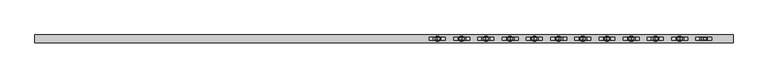
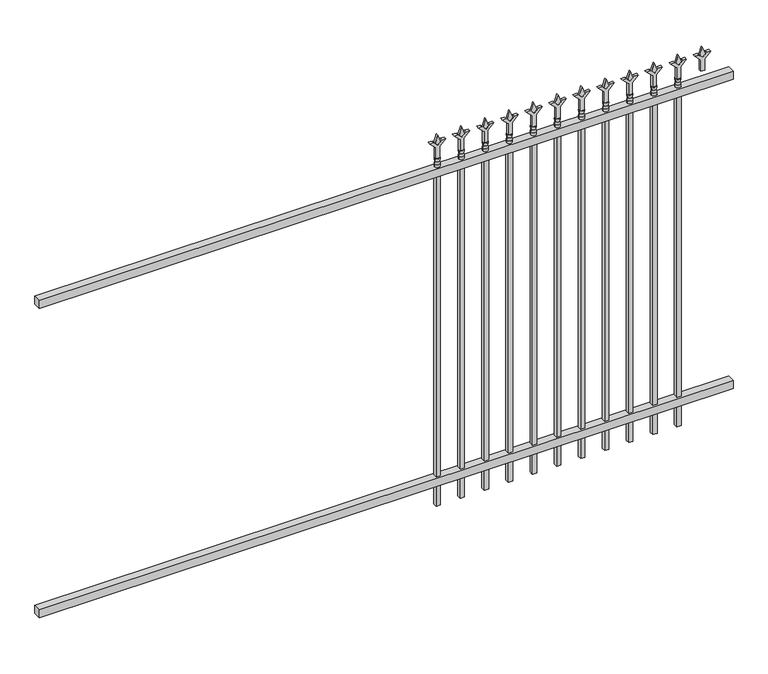
"""IFC4 building model written with IfcOpenShell, lengths in millimetres: railing geometry."""

from ifc_helpers import new_model, si_unit, frame, origin, place, context, project, spatial, polyline, circle_curve, outline, extrude, source, transform, mapped, element, save
from ifc_brep_helpers import plane_surface, cylinder_surface, revolved_surface, advanced_brep


def railing_123883da(model_context):
    return source(origin(), model_context, "Body", "SolidModel", [
        extrude(outline(polyline([(-67441.318087, 3004.8804826), (-67441.318087, 3039.8054826), (-64291.718087, 3039.8054826), (-64291.718087, 3004.8804826), (-67441.318087, 3004.8804826)])), frame((0.0, 0.0, 1638.3), z_axis=(0.0, 0.0, 1.0), x_axis=(1.0, 0.0, 0.0)), (0.0, 0.0, 1.0), 38.1),
        extrude(outline(polyline([(-67441.318087, 3004.8804826), (-67441.318087, 3039.8054826), (-64291.718087, 3039.8054826), (-64291.718087, 3004.8804826), (-67441.318087, 3004.8804826)])), frame((0.0, 0.0, 152.4), z_axis=(0.0, 0.0, 1.0), x_axis=(1.0, 0.0, 0.0)), (0.0, 0.0, 1.0), 38.1),
        extrude(outline(polyline([(1793.08125, -64520.8472536), (1828.8, -64532.7535036), (1793.08125, -64544.6597536), (1781.175, -64532.7535036), (1793.08125, -64520.8472536)])), frame((0.0, 3017.5804826, 0.0), z_axis=(0.0, 1.0, 0.0), x_axis=(0.0, 0.0, 1.0)), (0.0, 0.0, 1.0), 9.525),
        extrude(outline(polyline([(1717.675, -64524.0222536), (1771.9457378, -64524.0222536), (1799.1355122, -64496.8324791), (1799.1355122, -64514.7929914), (1781.175, -64532.7535036), (1799.1355122, -64550.7140159), (1799.1355122, -64568.6745281), (1771.9457378, -64541.4847536), (1717.675, -64541.4847536), (1717.675, -64524.0222536)])), frame((0.0, 3015.9929826, 0.0), z_axis=(0.0, 1.0, 0.0), x_axis=(0.0, 0.0, 1.0)), (0.0, 0.0, 1.0), 12.7),
        advanced_brep(
        [(-64520.8472536, 3022.3429826, 1689.1), (-64544.6597536, 3022.3429826, 1689.1), (-64544.6597536, 3022.3429826, 1676.4), (-64520.8472536, 3022.3429826, 1676.4), (-64523.0525855, 3022.3429826, 1701.6070585), (-64542.4544218, 3022.3429826, 1701.6070585), (-64520.8472536, 3022.3429826, 1717.675), (-64544.6597536, 3022.3429826, 1717.675), (-64532.7535036, 3022.3429826, 1717.675), (-64532.7535036, 3022.3429826, 1676.4)],
        [
            (0, 1, circle_curve(frame((-64532.7535036, 3022.3429826, 1689.1), z_axis=(0.0, 0.0, -1.0), x_axis=(-1.0, 0.0, 0.0)), 11.90625)),
            (1, 2),
            (2, 3, circle_curve(frame((-64532.7535036, 3022.3429826, 1676.4), z_axis=(0.0, 0.0, 1.0), x_axis=(-1.0, 0.0, 0.0)), 11.90625)),
            (3, 0),
            (1, 0, circle_curve(frame((-64532.7535036, 3022.3429826, 1689.1), z_axis=(0.0, 0.0, -1.0), x_axis=(-1.0, 0.0, 0.0)), 11.90625)),
            (3, 2, circle_curve(frame((-64532.7535036, 3022.3429826, 1676.4), z_axis=(0.0, 0.0, 1.0), x_axis=(-1.0, 0.0, 0.0)), 11.90625)),
            (4, 5, circle_curve(frame((-64532.7535036, 3022.3429826, 1701.6070585), z_axis=(0.0, 0.0, -1.0), x_axis=(-1.0, 0.0, 0.0)), 9.7009181)),
            (5, 1),
            (0, 4),
            (5, 4, circle_curve(frame((-64532.7535036, 3022.3429826, 1701.6070585), z_axis=(0.0, 0.0, -1.0), x_axis=(-1.0, 0.0, 0.0)), 9.7009181)),
            (6, 7, circle_curve(frame((-64532.7535036, 3022.3429826, 1717.675), z_axis=(0.0, 0.0, -1.0), x_axis=(-1.0, 0.0, 0.0)), 11.90625)),
            (7, 5),
            (4, 6),
            (7, 6, circle_curve(frame((-64532.7535036, 3022.3429826, 1717.675), z_axis=(0.0, 0.0, -1.0), x_axis=(-1.0, 0.0, 0.0)), 11.90625)),
            (8, 7),
            (6, 8),
            (2, 9),
            (9, 3),
        ],
        [
            cylinder_surface(frame((-64532.7535036, 3022.3429826, 1676.4), z_axis=(0.0, 0.0, 1.0), x_axis=(-1.0, 0.0, 0.0)), 11.90625),
            revolved_surface(polyline([(-64544.6597536, 3022.3429826, 1689.1), (-64542.4544218, 3022.3429826, 1701.6070585)]), (-64532.7535036, 3022.3429826, 1676.4), (0.0, 0.0, 1.0)),
            revolved_surface(polyline([(-64542.4544218, 3022.3429826, 1701.6070585), (-64544.6597536, 3022.3429826, 1717.675)]), (-64532.7535036, 3022.3429826, 1676.4), (0.0, 0.0, 1.0)),
            plane_surface(frame((-64532.7535036, 3022.3429826, 1717.675), z_axis=(0.0, 0.0, 1.0), x_axis=(-1.0, 0.0, 0.0))),
            plane_surface(frame((-64532.7535036, 3022.3429826, 1676.4), z_axis=(0.0, 0.0, -1.0), x_axis=(-1.0, 0.0, 0.0))),
        ],
        [
            (0, [[1, 2, 3, 4]]),
            (0, [[5, -4, 6, -2]]),
            (1, [[7, 8, -1, 9]]),
            (1, [[10, -9, -5, -8]]),
            (2, [[11, 12, -7, 13]]),
            (2, [[14, -13, -10, -12]]),
            (3, [[15, -11, 16]]),
            (3, [[-16, -14, -15]]),
            (4, [[-3, 17, 18]]),
            (4, [[-6, -18, -17]]),
        ],
    ),
        extrude(outline(polyline([(-64542.2785036, 3031.8679826), (-64523.2285036, 3031.8679826), (-64523.2285036, 3012.8179826), (-64542.2785036, 3012.8179826), (-64542.2785036, 3031.8679826)])), frame((0.0, 0.0, 50.8), z_axis=(0.0, 0.0, 1.0), x_axis=(1.0, 0.0, 0.0)), (0.0, 0.0, 1.0), 1625.6),
        extrude(outline(polyline([(1793.08125, -64630.1201703), (1828.8, -64642.0264203), (1793.08125, -64653.9326703), (1781.175, -64642.0264203), (1793.08125, -64630.1201703)])), frame((0.0, 3017.5804826, 0.0), z_axis=(0.0, 1.0, 0.0), x_axis=(0.0, 0.0, 1.0)), (0.0, 0.0, 1.0), 9.525),
        extrude(outline(polyline([(1717.675, -64633.2951703), (1771.9457378, -64633.2951703), (1799.1355122, -64606.1053958), (1799.1355122, -64624.0659081), (1781.175, -64642.0264203), (1799.1355122, -64659.9869325), (1799.1355122, -64677.9474448), (1771.9457378, -64650.7576703), (1717.675, -64650.7576703), (1717.675, -64633.2951703)])), frame((0.0, 3015.9929826, 0.0), z_axis=(0.0, 1.0, 0.0), x_axis=(0.0, 0.0, 1.0)), (0.0, 0.0, 1.0), 12.7),
        advanced_brep(
        [(-64630.1201703, 3022.3429826, 1689.1), (-64653.9326703, 3022.3429826, 1689.1), (-64653.9326703, 3022.3429826, 1676.4), (-64630.1201703, 3022.3429826, 1676.4), (-64632.3255022, 3022.3429826, 1701.6070585), (-64651.7273384, 3022.3429826, 1701.6070585), (-64630.1201703, 3022.3429826, 1717.675), (-64653.9326703, 3022.3429826, 1717.675), (-64642.0264203, 3022.3429826, 1717.675), (-64642.0264203, 3022.3429826, 1676.4)],
        [
            (0, 1, circle_curve(frame((-64642.0264203, 3022.3429826, 1689.1), z_axis=(0.0, 0.0, -1.0), x_axis=(-1.0, 0.0, 0.0)), 11.90625)),
            (1, 2),
            (2, 3, circle_curve(frame((-64642.0264203, 3022.3429826, 1676.4), z_axis=(0.0, 0.0, 1.0), x_axis=(-1.0, 0.0, 0.0)), 11.90625)),
            (3, 0),
            (1, 0, circle_curve(frame((-64642.0264203, 3022.3429826, 1689.1), z_axis=(0.0, 0.0, -1.0), x_axis=(-1.0, 0.0, 0.0)), 11.90625)),
            (3, 2, circle_curve(frame((-64642.0264203, 3022.3429826, 1676.4), z_axis=(0.0, 0.0, 1.0), x_axis=(-1.0, 0.0, 0.0)), 11.90625)),
            (4, 5, circle_curve(frame((-64642.0264203, 3022.3429826, 1701.6070585), z_axis=(0.0, 0.0, -1.0), x_axis=(-1.0, 0.0, 0.0)), 9.7009181)),
            (5, 1),
            (0, 4),
            (5, 4, circle_curve(frame((-64642.0264203, 3022.3429826, 1701.6070585), z_axis=(0.0, 0.0, -1.0), x_axis=(-1.0, 0.0, 0.0)), 9.7009181)),
            (6, 7, circle_curve(frame((-64642.0264203, 3022.3429826, 1717.675), z_axis=(0.0, 0.0, -1.0), x_axis=(-1.0, 0.0, 0.0)), 11.90625)),
            (7, 5),
            (4, 6),
            (7, 6, circle_curve(frame((-64642.0264203, 3022.3429826, 1717.675), z_axis=(0.0, 0.0, -1.0), x_axis=(-1.0, 0.0, 0.0)), 11.90625)),
            (8, 7),
            (6, 8),
            (2, 9),
            (9, 3),
        ],
        [
            cylinder_surface(frame((-64642.0264203, 3022.3429826, 1676.4), z_axis=(0.0, 0.0, 1.0), x_axis=(-1.0, 0.0, 0.0)), 11.90625),
            revolved_surface(polyline([(-64653.9326703, 3022.3429826, 1689.1), (-64651.7273384, 3022.3429826, 1701.6070585)]), (-64642.0264203, 3022.3429826, 1676.4), (0.0, 0.0, 1.0)),
            revolved_surface(polyline([(-64651.7273384, 3022.3429826, 1701.6070585), (-64653.9326703, 3022.3429826, 1717.675)]), (-64642.0264203, 3022.3429826, 1676.4), (0.0, 0.0, 1.0)),
            plane_surface(frame((-64642.0264203, 3022.3429826, 1717.675), z_axis=(0.0, 0.0, 1.0), x_axis=(-1.0, 0.0, 0.0))),
            plane_surface(frame((-64642.0264203, 3022.3429826, 1676.4), z_axis=(0.0, 0.0, -1.0), x_axis=(-1.0, 0.0, 0.0))),
        ],
        [
            (0, [[1, 2, 3, 4]]),
            (0, [[5, -4, 6, -2]]),
            (1, [[7, 8, -1, 9]]),
            (1, [[10, -9, -5, -8]]),
            (2, [[11, 12, -7, 13]]),
            (2, [[14, -13, -10, -12]]),
            (3, [[15, -11, 16]]),
            (3, [[-16, -14, -15]]),
            (4, [[-3, 17, 18]]),
            (4, [[-6, -18, -17]]),
        ],
    ),
        extrude(outline(polyline([(-64651.5514203, 3031.8679826), (-64632.5014203, 3031.8679826), (-64632.5014203, 3012.8179826), (-64651.5514203, 3012.8179826), (-64651.5514203, 3031.8679826)])), frame((0.0, 0.0, 50.8), z_axis=(0.0, 0.0, 1.0), x_axis=(1.0, 0.0, 0.0)), (0.0, 0.0, 1.0), 1625.6),
        extrude(outline(polyline([(1793.08125, -64739.393087), (1828.8, -64751.299337), (1793.08125, -64763.205587), (1781.175, -64751.299337), (1793.08125, -64739.393087)])), frame((0.0, 3017.5804826, 0.0), z_axis=(0.0, 1.0, 0.0), x_axis=(0.0, 0.0, 1.0)), (0.0, 0.0, 1.0), 9.525),
        extrude(outline(polyline([(1717.675, -64742.568087), (1771.9457378, -64742.568087), (1799.1355122, -64715.3783125), (1799.1355122, -64733.3388247), (1781.175, -64751.299337), (1799.1355122, -64769.2598492), (1799.1355122, -64787.2203614), (1771.9457378, -64760.030587), (1717.675, -64760.030587), (1717.675, -64742.568087)])), frame((0.0, 3015.9929826, 0.0), z_axis=(0.0, 1.0, 0.0), x_axis=(0.0, 0.0, 1.0)), (0.0, 0.0, 1.0), 12.7),
        advanced_brep(
        [(-64739.393087, 3022.3429826, 1689.1), (-64763.205587, 3022.3429826, 1689.1), (-64763.205587, 3022.3429826, 1676.4), (-64739.393087, 3022.3429826, 1676.4), (-64741.5984188, 3022.3429826, 1701.6070585), (-64761.0002551, 3022.3429826, 1701.6070585), (-64739.393087, 3022.3429826, 1717.675), (-64763.205587, 3022.3429826, 1717.675), (-64751.299337, 3022.3429826, 1717.675), (-64751.299337, 3022.3429826, 1676.4)],
        [
            (0, 1, circle_curve(frame((-64751.299337, 3022.3429826, 1689.1), z_axis=(0.0, 0.0, -1.0), x_axis=(-1.0, 0.0, 0.0)), 11.90625)),
            (1, 2),
            (2, 3, circle_curve(frame((-64751.299337, 3022.3429826, 1676.4), z_axis=(0.0, 0.0, 1.0), x_axis=(-1.0, 0.0, 0.0)), 11.90625)),
            (3, 0),
            (1, 0, circle_curve(frame((-64751.299337, 3022.3429826, 1689.1), z_axis=(0.0, 0.0, -1.0), x_axis=(-1.0, 0.0, 0.0)), 11.90625)),
            (3, 2, circle_curve(frame((-64751.299337, 3022.3429826, 1676.4), z_axis=(0.0, 0.0, 1.0), x_axis=(-1.0, 0.0, 0.0)), 11.90625)),
            (4, 5, circle_curve(frame((-64751.299337, 3022.3429826, 1701.6070585), z_axis=(0.0, 0.0, -1.0), x_axis=(-1.0, 0.0, 0.0)), 9.7009181)),
            (5, 1),
            (0, 4),
            (5, 4, circle_curve(frame((-64751.299337, 3022.3429826, 1701.6070585), z_axis=(0.0, 0.0, -1.0), x_axis=(-1.0, 0.0, 0.0)), 9.7009181)),
            (6, 7, circle_curve(frame((-64751.299337, 3022.3429826, 1717.675), z_axis=(0.0, 0.0, -1.0), x_axis=(-1.0, 0.0, 0.0)), 11.90625)),
            (7, 5),
            (4, 6),
            (7, 6, circle_curve(frame((-64751.299337, 3022.3429826, 1717.675), z_axis=(0.0, 0.0, -1.0), x_axis=(-1.0, 0.0, 0.0)), 11.90625)),
            (8, 7),
            (6, 8),
            (2, 9),
            (9, 3),
        ],
        [
            cylinder_surface(frame((-64751.299337, 3022.3429826, 1676.4), z_axis=(0.0, 0.0, 1.0), x_axis=(-1.0, 0.0, 0.0)), 11.90625),
            revolved_surface(polyline([(-64763.205587, 3022.3429826, 1689.1), (-64761.0002551, 3022.3429826, 1701.6070585)]), (-64751.299337, 3022.3429826, 1676.4), (0.0, 0.0, 1.0)),
            revolved_surface(polyline([(-64761.0002551, 3022.3429826, 1701.6070585), (-64763.205587, 3022.3429826, 1717.675)]), (-64751.299337, 3022.3429826, 1676.4), (0.0, 0.0, 1.0)),
            plane_surface(frame((-64751.299337, 3022.3429826, 1717.675), z_axis=(0.0, 0.0, 1.0), x_axis=(-1.0, 0.0, 0.0))),
            plane_surface(frame((-64751.299337, 3022.3429826, 1676.4), z_axis=(0.0, 0.0, -1.0), x_axis=(-1.0, 0.0, 0.0))),
        ],
        [
            (0, [[1, 2, 3, 4]]),
            (0, [[5, -4, 6, -2]]),
            (1, [[7, 8, -1, 9]]),
            (1, [[10, -9, -5, -8]]),
            (2, [[11, 12, -7, 13]]),
            (2, [[14, -13, -10, -12]]),
            (3, [[15, -11, 16]]),
            (3, [[-16, -14, -15]]),
            (4, [[-3, 17, 18]]),
            (4, [[-6, -18, -17]]),
        ],
    ),
        extrude(outline(polyline([(-64760.824337, 3031.8679826), (-64741.774337, 3031.8679826), (-64741.774337, 3012.8179826), (-64760.824337, 3012.8179826), (-64760.824337, 3031.8679826)])), frame((0.0, 0.0, 50.8), z_axis=(0.0, 0.0, 1.0), x_axis=(1.0, 0.0, 0.0)), (0.0, 0.0, 1.0), 1625.6),
        extrude(outline(polyline([(1793.08125, -64848.6660036), (1828.8, -64860.5722536), (1793.08125, -64872.4785036), (1781.175, -64860.5722536), (1793.08125, -64848.6660036)])), frame((0.0, 3017.5804826, 0.0), z_axis=(0.0, 1.0, 0.0), x_axis=(0.0, 0.0, 1.0)), (0.0, 0.0, 1.0), 9.525),
        extrude(outline(polyline([(1717.675, -64851.8410036), (1771.9457378, -64851.8410036), (1799.1355122, -64824.6512291), (1799.1355122, -64842.6117414), (1781.175, -64860.5722536), (1799.1355122, -64878.5327659), (1799.1355122, -64896.4932781), (1771.9457378, -64869.3035036), (1717.675, -64869.3035036), (1717.675, -64851.8410036)])), frame((0.0, 3015.9929826, 0.0), z_axis=(0.0, 1.0, 0.0), x_axis=(0.0, 0.0, 1.0)), (0.0, 0.0, 1.0), 12.7),
        advanced_brep(
        [(-64848.6660036, 3022.3429826, 1689.1), (-64872.4785036, 3022.3429826, 1689.1), (-64872.4785036, 3022.3429826, 1676.4), (-64848.6660036, 3022.3429826, 1676.4), (-64850.8713355, 3022.3429826, 1701.6070585), (-64870.2731718, 3022.3429826, 1701.6070585), (-64848.6660036, 3022.3429826, 1717.675), (-64872.4785036, 3022.3429826, 1717.675), (-64860.5722536, 3022.3429826, 1717.675), (-64860.5722536, 3022.3429826, 1676.4)],
        [
            (0, 1, circle_curve(frame((-64860.5722536, 3022.3429826, 1689.1), z_axis=(0.0, 0.0, -1.0), x_axis=(-1.0, 0.0, 0.0)), 11.90625)),
            (1, 2),
            (2, 3, circle_curve(frame((-64860.5722536, 3022.3429826, 1676.4), z_axis=(0.0, 0.0, 1.0), x_axis=(-1.0, 0.0, 0.0)), 11.90625)),
            (3, 0),
            (1, 0, circle_curve(frame((-64860.5722536, 3022.3429826, 1689.1), z_axis=(0.0, 0.0, -1.0), x_axis=(-1.0, 0.0, 0.0)), 11.90625)),
            (3, 2, circle_curve(frame((-64860.5722536, 3022.3429826, 1676.4), z_axis=(0.0, 0.0, 1.0), x_axis=(-1.0, 0.0, 0.0)), 11.90625)),
            (4, 5, circle_curve(frame((-64860.5722536, 3022.3429826, 1701.6070585), z_axis=(0.0, 0.0, -1.0), x_axis=(-1.0, 0.0, 0.0)), 9.7009181)),
            (5, 1),
            (0, 4),
            (5, 4, circle_curve(frame((-64860.5722536, 3022.3429826, 1701.6070585), z_axis=(0.0, 0.0, -1.0), x_axis=(-1.0, 0.0, 0.0)), 9.7009181)),
            (6, 7, circle_curve(frame((-64860.5722536, 3022.3429826, 1717.675), z_axis=(0.0, 0.0, -1.0), x_axis=(-1.0, 0.0, 0.0)), 11.90625)),
            (7, 5),
            (4, 6),
            (7, 6, circle_curve(frame((-64860.5722536, 3022.3429826, 1717.675), z_axis=(0.0, 0.0, -1.0), x_axis=(-1.0, 0.0, 0.0)), 11.90625)),
            (8, 7),
            (6, 8),
            (2, 9),
            (9, 3),
        ],
        [
            cylinder_surface(frame((-64860.5722536, 3022.3429826, 1676.4), z_axis=(0.0, 0.0, 1.0), x_axis=(-1.0, 0.0, 0.0)), 11.90625),
            revolved_surface(polyline([(-64872.4785036, 3022.3429826, 1689.1), (-64870.2731718, 3022.3429826, 1701.6070585)]), (-64860.5722536, 3022.3429826, 1676.4), (0.0, 0.0, 1.0)),
            revolved_surface(polyline([(-64870.2731718, 3022.3429826, 1701.6070585), (-64872.4785036, 3022.3429826, 1717.675)]), (-64860.5722536, 3022.3429826, 1676.4), (0.0, 0.0, 1.0)),
            plane_surface(frame((-64860.5722536, 3022.3429826, 1717.675), z_axis=(0.0, 0.0, 1.0), x_axis=(-1.0, 0.0, 0.0))),
            plane_surface(frame((-64860.5722536, 3022.3429826, 1676.4), z_axis=(0.0, 0.0, -1.0), x_axis=(-1.0, 0.0, 0.0))),
        ],
        [
            (0, [[1, 2, 3, 4]]),
            (0, [[5, -4, 6, -2]]),
            (1, [[7, 8, -1, 9]]),
            (1, [[10, -9, -5, -8]]),
            (2, [[11, 12, -7, 13]]),
            (2, [[14, -13, -10, -12]]),
            (3, [[15, -11, 16]]),
            (3, [[-16, -14, -15]]),
            (4, [[-3, 17, 18]]),
            (4, [[-6, -18, -17]]),
        ],
    ),
        extrude(outline(polyline([(-64870.0972536, 3031.8679826), (-64851.0472536, 3031.8679826), (-64851.0472536, 3012.8179826), (-64870.0972536, 3012.8179826), (-64870.0972536, 3031.8679826)])), frame((0.0, 0.0, 50.8), z_axis=(0.0, 0.0, 1.0), x_axis=(1.0, 0.0, 0.0)), (0.0, 0.0, 1.0), 1625.6),
        extrude(outline(polyline([(1793.08125, -64957.9389203), (1828.8, -64969.8451703), (1793.08125, -64981.7514203), (1781.175, -64969.8451703), (1793.08125, -64957.9389203)])), frame((0.0, 3017.5804826, 0.0), z_axis=(0.0, 1.0, 0.0), x_axis=(0.0, 0.0, 1.0)), (0.0, 0.0, 1.0), 9.525),
        extrude(outline(polyline([(1717.675, -64961.1139203), (1771.9457378, -64961.1139203), (1799.1355122, -64933.9241458), (1799.1355122, -64951.8846581), (1781.175, -64969.8451703), (1799.1355122, -64987.8056825), (1799.1355122, -65005.7661948), (1771.9457378, -64978.5764203), (1717.675, -64978.5764203), (1717.675, -64961.1139203)])), frame((0.0, 3015.9929826, 0.0), z_axis=(0.0, 1.0, 0.0), x_axis=(0.0, 0.0, 1.0)), (0.0, 0.0, 1.0), 12.7),
        advanced_brep(
        [(-64957.9389203, 3022.3429826, 1689.1), (-64981.7514203, 3022.3429826, 1689.1), (-64981.7514203, 3022.3429826, 1676.4), (-64957.9389203, 3022.3429826, 1676.4), (-64960.1442522, 3022.3429826, 1701.6070585), (-64979.5460884, 3022.3429826, 1701.6070585), (-64957.9389203, 3022.3429826, 1717.675), (-64981.7514203, 3022.3429826, 1717.675), (-64969.8451703, 3022.3429826, 1717.675), (-64969.8451703, 3022.3429826, 1676.4)],
        [
            (0, 1, circle_curve(frame((-64969.8451703, 3022.3429826, 1689.1), z_axis=(0.0, 0.0, -1.0), x_axis=(-1.0, 0.0, 0.0)), 11.90625)),
            (1, 2),
            (2, 3, circle_curve(frame((-64969.8451703, 3022.3429826, 1676.4), z_axis=(0.0, 0.0, 1.0), x_axis=(-1.0, 0.0, 0.0)), 11.90625)),
            (3, 0),
            (1, 0, circle_curve(frame((-64969.8451703, 3022.3429826, 1689.1), z_axis=(0.0, 0.0, -1.0), x_axis=(-1.0, 0.0, 0.0)), 11.90625)),
            (3, 2, circle_curve(frame((-64969.8451703, 3022.3429826, 1676.4), z_axis=(0.0, 0.0, 1.0), x_axis=(-1.0, 0.0, 0.0)), 11.90625)),
            (4, 5, circle_curve(frame((-64969.8451703, 3022.3429826, 1701.6070585), z_axis=(0.0, 0.0, -1.0), x_axis=(-1.0, 0.0, 0.0)), 9.7009181)),
            (5, 1),
            (0, 4),
            (5, 4, circle_curve(frame((-64969.8451703, 3022.3429826, 1701.6070585), z_axis=(0.0, 0.0, -1.0), x_axis=(-1.0, 0.0, 0.0)), 9.7009181)),
            (6, 7, circle_curve(frame((-64969.8451703, 3022.3429826, 1717.675), z_axis=(0.0, 0.0, -1.0), x_axis=(-1.0, 0.0, 0.0)), 11.90625)),
            (7, 5),
            (4, 6),
            (7, 6, circle_curve(frame((-64969.8451703, 3022.3429826, 1717.675), z_axis=(0.0, 0.0, -1.0), x_axis=(-1.0, 0.0, 0.0)), 11.90625)),
            (8, 7),
            (6, 8),
            (2, 9),
            (9, 3),
        ],
        [
            cylinder_surface(frame((-64969.8451703, 3022.3429826, 1676.4), z_axis=(0.0, 0.0, 1.0), x_axis=(-1.0, 0.0, 0.0)), 11.90625),
            revolved_surface(polyline([(-64981.7514203, 3022.3429826, 1689.1), (-64979.5460884, 3022.3429826, 1701.6070585)]), (-64969.8451703, 3022.3429826, 1676.4), (0.0, 0.0, 1.0)),
            revolved_surface(polyline([(-64979.5460884, 3022.3429826, 1701.6070585), (-64981.7514203, 3022.3429826, 1717.675)]), (-64969.8451703, 3022.3429826, 1676.4), (0.0, 0.0, 1.0)),
            plane_surface(frame((-64969.8451703, 3022.3429826, 1717.675), z_axis=(0.0, 0.0, 1.0), x_axis=(-1.0, 0.0, 0.0))),
            plane_surface(frame((-64969.8451703, 3022.3429826, 1676.4), z_axis=(0.0, 0.0, -1.0), x_axis=(-1.0, 0.0, 0.0))),
        ],
        [
            (0, [[1, 2, 3, 4]]),
            (0, [[5, -4, 6, -2]]),
            (1, [[7, 8, -1, 9]]),
            (1, [[10, -9, -5, -8]]),
            (2, [[11, 12, -7, 13]]),
            (2, [[14, -13, -10, -12]]),
            (3, [[15, -11, 16]]),
            (3, [[-16, -14, -15]]),
            (4, [[-3, 17, 18]]),
            (4, [[-6, -18, -17]]),
        ],
    ),
        extrude(outline(polyline([(-64979.3701703, 3031.8679826), (-64960.3201703, 3031.8679826), (-64960.3201703, 3012.8179826), (-64979.3701703, 3012.8179826), (-64979.3701703, 3031.8679826)])), frame((0.0, 0.0, 50.8), z_axis=(0.0, 0.0, 1.0), x_axis=(1.0, 0.0, 0.0)), (0.0, 0.0, 1.0), 1625.6),
        extrude(outline(polyline([(1793.08125, -65067.211837), (1828.8, -65079.118087), (1793.08125, -65091.024337), (1781.175, -65079.118087), (1793.08125, -65067.211837)])), frame((0.0, 3017.5804826, 0.0), z_axis=(0.0, 1.0, 0.0), x_axis=(0.0, 0.0, 1.0)), (0.0, 0.0, 1.0), 9.525),
        extrude(outline(polyline([(1717.675, -65070.386837), (1771.9457378, -65070.386837), (1799.1355122, -65043.1970625), (1799.1355122, -65061.1575747), (1781.175, -65079.118087), (1799.1355122, -65097.0785992), (1799.1355122, -65115.0391114), (1771.9457378, -65087.849337), (1717.675, -65087.849337), (1717.675, -65070.386837)])), frame((0.0, 3015.9929826, 0.0), z_axis=(0.0, 1.0, 0.0), x_axis=(0.0, 0.0, 1.0)), (0.0, 0.0, 1.0), 12.7),
        advanced_brep(
        [(-65067.211837, 3022.3429826, 1689.1), (-65091.024337, 3022.3429826, 1689.1), (-65091.024337, 3022.3429826, 1676.4), (-65067.211837, 3022.3429826, 1676.4), (-65069.4171688, 3022.3429826, 1701.6070585), (-65088.8190051, 3022.3429826, 1701.6070585), (-65067.211837, 3022.3429826, 1717.675), (-65091.024337, 3022.3429826, 1717.675), (-65079.118087, 3022.3429826, 1717.675), (-65079.118087, 3022.3429826, 1676.4)],
        [
            (0, 1, circle_curve(frame((-65079.118087, 3022.3429826, 1689.1), z_axis=(0.0, 0.0, -1.0), x_axis=(-1.0, 0.0, 0.0)), 11.90625)),
            (1, 2),
            (2, 3, circle_curve(frame((-65079.118087, 3022.3429826, 1676.4), z_axis=(0.0, 0.0, 1.0), x_axis=(-1.0, 0.0, 0.0)), 11.90625)),
            (3, 0),
            (1, 0, circle_curve(frame((-65079.118087, 3022.3429826, 1689.1), z_axis=(0.0, 0.0, -1.0), x_axis=(-1.0, 0.0, 0.0)), 11.90625)),
            (3, 2, circle_curve(frame((-65079.118087, 3022.3429826, 1676.4), z_axis=(0.0, 0.0, 1.0), x_axis=(-1.0, 0.0, 0.0)), 11.90625)),
            (4, 5, circle_curve(frame((-65079.118087, 3022.3429826, 1701.6070585), z_axis=(0.0, 0.0, -1.0), x_axis=(-1.0, 0.0, 0.0)), 9.7009181)),
            (5, 1),
            (0, 4),
            (5, 4, circle_curve(frame((-65079.118087, 3022.3429826, 1701.6070585), z_axis=(0.0, 0.0, -1.0), x_axis=(-1.0, 0.0, 0.0)), 9.7009181)),
            (6, 7, circle_curve(frame((-65079.118087, 3022.3429826, 1717.675), z_axis=(0.0, 0.0, -1.0), x_axis=(-1.0, 0.0, 0.0)), 11.90625)),
            (7, 5),
            (4, 6),
            (7, 6, circle_curve(frame((-65079.118087, 3022.3429826, 1717.675), z_axis=(0.0, 0.0, -1.0), x_axis=(-1.0, 0.0, 0.0)), 11.90625)),
            (8, 7),
            (6, 8),
            (2, 9),
            (9, 3),
        ],
        [
            cylinder_surface(frame((-65079.118087, 3022.3429826, 1676.4), z_axis=(0.0, 0.0, 1.0), x_axis=(-1.0, 0.0, 0.0)), 11.90625),
            revolved_surface(polyline([(-65091.024337, 3022.3429826, 1689.1), (-65088.8190051, 3022.3429826, 1701.6070585)]), (-65079.118087, 3022.3429826, 1676.4), (0.0, 0.0, 1.0)),
            revolved_surface(polyline([(-65088.8190051, 3022.3429826, 1701.6070585), (-65091.024337, 3022.3429826, 1717.675)]), (-65079.118087, 3022.3429826, 1676.4), (0.0, 0.0, 1.0)),
            plane_surface(frame((-65079.118087, 3022.3429826, 1717.675), z_axis=(0.0, 0.0, 1.0), x_axis=(-1.0, 0.0, 0.0))),
            plane_surface(frame((-65079.118087, 3022.3429826, 1676.4), z_axis=(0.0, 0.0, -1.0), x_axis=(-1.0, 0.0, 0.0))),
        ],
        [
            (0, [[1, 2, 3, 4]]),
            (0, [[5, -4, 6, -2]]),
            (1, [[7, 8, -1, 9]]),
            (1, [[10, -9, -5, -8]]),
            (2, [[11, 12, -7, 13]]),
            (2, [[14, -13, -10, -12]]),
            (3, [[15, -11, 16]]),
            (3, [[-16, -14, -15]]),
            (4, [[-3, 17, 18]]),
            (4, [[-6, -18, -17]]),
        ],
    ),
        extrude(outline(polyline([(-65088.643087, 3031.8679826), (-65069.593087, 3031.8679826), (-65069.593087, 3012.8179826), (-65088.643087, 3012.8179826), (-65088.643087, 3031.8679826)])), frame((0.0, 0.0, 50.8), z_axis=(0.0, 0.0, 1.0), x_axis=(1.0, 0.0, 0.0)), (0.0, 0.0, 1.0), 1625.6),
        extrude(outline(polyline([(1793.08125, -65176.4847536), (1828.8, -65188.3910036), (1793.08125, -65200.2972536), (1781.175, -65188.3910036), (1793.08125, -65176.4847536)])), frame((0.0, 3017.5804826, 0.0), z_axis=(0.0, 1.0, 0.0), x_axis=(0.0, 0.0, 1.0)), (0.0, 0.0, 1.0), 9.525),
        extrude(outline(polyline([(1717.675, -65179.6597536), (1771.9457378, -65179.6597536), (1799.1355122, -65152.4699791), (1799.1355122, -65170.4304914), (1781.175, -65188.3910036), (1799.1355122, -65206.3515159), (1799.1355122, -65224.3120281), (1771.9457378, -65197.1222536), (1717.675, -65197.1222536), (1717.675, -65179.6597536)])), frame((0.0, 3015.9929826, 0.0), z_axis=(0.0, 1.0, 0.0), x_axis=(0.0, 0.0, 1.0)), (0.0, 0.0, 1.0), 12.7),
        advanced_brep(
        [(-65176.4847536, 3022.3429826, 1689.1), (-65200.2972536, 3022.3429826, 1689.1), (-65200.2972536, 3022.3429826, 1676.4), (-65176.4847536, 3022.3429826, 1676.4), (-65178.6900855, 3022.3429826, 1701.6070585), (-65198.0919218, 3022.3429826, 1701.6070585), (-65176.4847536, 3022.3429826, 1717.675), (-65200.2972536, 3022.3429826, 1717.675), (-65188.3910036, 3022.3429826, 1717.675), (-65188.3910036, 3022.3429826, 1676.4)],
        [
            (0, 1, circle_curve(frame((-65188.3910036, 3022.3429826, 1689.1), z_axis=(0.0, 0.0, -1.0), x_axis=(-1.0, 0.0, 0.0)), 11.90625)),
            (1, 2),
            (2, 3, circle_curve(frame((-65188.3910036, 3022.3429826, 1676.4), z_axis=(0.0, 0.0, 1.0), x_axis=(-1.0, 0.0, 0.0)), 11.90625)),
            (3, 0),
            (1, 0, circle_curve(frame((-65188.3910036, 3022.3429826, 1689.1), z_axis=(0.0, 0.0, -1.0), x_axis=(-1.0, 0.0, 0.0)), 11.90625)),
            (3, 2, circle_curve(frame((-65188.3910036, 3022.3429826, 1676.4), z_axis=(0.0, 0.0, 1.0), x_axis=(-1.0, 0.0, 0.0)), 11.90625)),
            (4, 5, circle_curve(frame((-65188.3910036, 3022.3429826, 1701.6070585), z_axis=(0.0, 0.0, -1.0), x_axis=(-1.0, 0.0, 0.0)), 9.7009181)),
            (5, 1),
            (0, 4),
            (5, 4, circle_curve(frame((-65188.3910036, 3022.3429826, 1701.6070585), z_axis=(0.0, 0.0, -1.0), x_axis=(-1.0, 0.0, 0.0)), 9.7009181)),
            (6, 7, circle_curve(frame((-65188.3910036, 3022.3429826, 1717.675), z_axis=(0.0, 0.0, -1.0), x_axis=(-1.0, 0.0, 0.0)), 11.90625)),
            (7, 5),
            (4, 6),
            (7, 6, circle_curve(frame((-65188.3910036, 3022.3429826, 1717.675), z_axis=(0.0, 0.0, -1.0), x_axis=(-1.0, 0.0, 0.0)), 11.90625)),
            (8, 7),
            (6, 8),
            (2, 9),
            (9, 3),
        ],
        [
            cylinder_surface(frame((-65188.3910036, 3022.3429826, 1676.4), z_axis=(0.0, 0.0, 1.0), x_axis=(-1.0, 0.0, 0.0)), 11.90625),
            revolved_surface(polyline([(-65200.2972536, 3022.3429826, 1689.1), (-65198.0919218, 3022.3429826, 1701.6070585)]), (-65188.3910036, 3022.3429826, 1676.4), (0.0, 0.0, 1.0)),
            revolved_surface(polyline([(-65198.0919218, 3022.3429826, 1701.6070585), (-65200.2972536, 3022.3429826, 1717.675)]), (-65188.3910036, 3022.3429826, 1676.4), (0.0, 0.0, 1.0)),
            plane_surface(frame((-65188.3910036, 3022.3429826, 1717.675), z_axis=(0.0, 0.0, 1.0), x_axis=(-1.0, 0.0, 0.0))),
            plane_surface(frame((-65188.3910036, 3022.3429826, 1676.4), z_axis=(0.0, 0.0, -1.0), x_axis=(-1.0, 0.0, 0.0))),
        ],
        [
            (0, [[1, 2, 3, 4]]),
            (0, [[5, -4, 6, -2]]),
            (1, [[7, 8, -1, 9]]),
            (1, [[10, -9, -5, -8]]),
            (2, [[11, 12, -7, 13]]),
            (2, [[14, -13, -10, -12]]),
            (3, [[15, -11, 16]]),
            (3, [[-16, -14, -15]]),
            (4, [[-3, 17, 18]]),
            (4, [[-6, -18, -17]]),
        ],
    ),
        extrude(outline(polyline([(-65197.9160036, 3031.8679826), (-65178.8660036, 3031.8679826), (-65178.8660036, 3012.8179826), (-65197.9160036, 3012.8179826), (-65197.9160036, 3031.8679826)])), frame((0.0, 0.0, 50.8), z_axis=(0.0, 0.0, 1.0), x_axis=(1.0, 0.0, 0.0)), (0.0, 0.0, 1.0), 1625.6),
        extrude(outline(polyline([(1793.08125, -65285.7576703), (1828.8, -65297.6639203), (1793.08125, -65309.5701703), (1781.175, -65297.6639203), (1793.08125, -65285.7576703)])), frame((0.0, 3017.5804826, 0.0), z_axis=(0.0, 1.0, 0.0), x_axis=(0.0, 0.0, 1.0)), (0.0, 0.0, 1.0), 9.525),
        extrude(outline(polyline([(1717.675, -65288.9326703), (1771.9457378, -65288.9326703), (1799.1355122, -65261.7428958), (1799.1355122, -65279.7034081), (1781.175, -65297.6639203), (1799.1355122, -65315.6244325), (1799.1355122, -65333.5849448), (1771.9457378, -65306.3951703), (1717.675, -65306.3951703), (1717.675, -65288.9326703)])), frame((0.0, 3015.9929826, 0.0), z_axis=(0.0, 1.0, 0.0), x_axis=(0.0, 0.0, 1.0)), (0.0, 0.0, 1.0), 12.7),
        advanced_brep(
        [(-65285.7576703, 3022.3429826, 1689.1), (-65309.5701703, 3022.3429826, 1689.1), (-65309.5701703, 3022.3429826, 1676.4), (-65285.7576703, 3022.3429826, 1676.4), (-65287.9630022, 3022.3429826, 1701.6070585), (-65307.3648384, 3022.3429826, 1701.6070585), (-65285.7576703, 3022.3429826, 1717.675), (-65309.5701703, 3022.3429826, 1717.675), (-65297.6639203, 3022.3429826, 1717.675), (-65297.6639203, 3022.3429826, 1676.4)],
        [
            (0, 1, circle_curve(frame((-65297.6639203, 3022.3429826, 1689.1), z_axis=(0.0, 0.0, -1.0), x_axis=(-1.0, 0.0, 0.0)), 11.90625)),
            (1, 2),
            (2, 3, circle_curve(frame((-65297.6639203, 3022.3429826, 1676.4), z_axis=(0.0, 0.0, 1.0), x_axis=(-1.0, 0.0, 0.0)), 11.90625)),
            (3, 0),
            (1, 0, circle_curve(frame((-65297.6639203, 3022.3429826, 1689.1), z_axis=(0.0, 0.0, -1.0), x_axis=(-1.0, 0.0, 0.0)), 11.90625)),
            (3, 2, circle_curve(frame((-65297.6639203, 3022.3429826, 1676.4), z_axis=(0.0, 0.0, 1.0), x_axis=(-1.0, 0.0, 0.0)), 11.90625)),
            (4, 5, circle_curve(frame((-65297.6639203, 3022.3429826, 1701.6070585), z_axis=(0.0, 0.0, -1.0), x_axis=(-1.0, 0.0, 0.0)), 9.7009181)),
            (5, 1),
            (0, 4),
            (5, 4, circle_curve(frame((-65297.6639203, 3022.3429826, 1701.6070585), z_axis=(0.0, 0.0, -1.0), x_axis=(-1.0, 0.0, 0.0)), 9.7009181)),
            (6, 7, circle_curve(frame((-65297.6639203, 3022.3429826, 1717.675), z_axis=(0.0, 0.0, -1.0), x_axis=(-1.0, 0.0, 0.0)), 11.90625)),
            (7, 5),
            (4, 6),
            (7, 6, circle_curve(frame((-65297.6639203, 3022.3429826, 1717.675), z_axis=(0.0, 0.0, -1.0), x_axis=(-1.0, 0.0, 0.0)), 11.90625)),
            (8, 7),
            (6, 8),
            (2, 9),
            (9, 3),
        ],
        [
            cylinder_surface(frame((-65297.6639203, 3022.3429826, 1676.4), z_axis=(0.0, 0.0, 1.0), x_axis=(-1.0, 0.0, 0.0)), 11.90625),
            revolved_surface(polyline([(-65309.5701703, 3022.3429826, 1689.1), (-65307.3648384, 3022.3429826, 1701.6070585)]), (-65297.6639203, 3022.3429826, 1676.4), (0.0, 0.0, 1.0)),
            revolved_surface(polyline([(-65307.3648384, 3022.3429826, 1701.6070585), (-65309.5701703, 3022.3429826, 1717.675)]), (-65297.6639203, 3022.3429826, 1676.4), (0.0, 0.0, 1.0)),
            plane_surface(frame((-65297.6639203, 3022.3429826, 1717.675), z_axis=(0.0, 0.0, 1.0), x_axis=(-1.0, 0.0, 0.0))),
            plane_surface(frame((-65297.6639203, 3022.3429826, 1676.4), z_axis=(0.0, 0.0, -1.0), x_axis=(-1.0, 0.0, 0.0))),
        ],
        [
            (0, [[1, 2, 3, 4]]),
            (0, [[5, -4, 6, -2]]),
            (1, [[7, 8, -1, 9]]),
            (1, [[10, -9, -5, -8]]),
            (2, [[11, 12, -7, 13]]),
            (2, [[14, -13, -10, -12]]),
            (3, [[15, -11, 16]]),
            (3, [[-16, -14, -15]]),
            (4, [[-3, 17, 18]]),
            (4, [[-6, -18, -17]]),
        ],
    ),
        extrude(outline(polyline([(-65307.1889203, 3031.8679826), (-65288.1389203, 3031.8679826), (-65288.1389203, 3012.8179826), (-65307.1889203, 3012.8179826), (-65307.1889203, 3031.8679826)])), frame((0.0, 0.0, 50.8), z_axis=(0.0, 0.0, 1.0), x_axis=(1.0, 0.0, 0.0)), (0.0, 0.0, 1.0), 1625.6),
        extrude(outline(polyline([(1793.08125, -65395.030587), (1828.8, -65406.936837), (1793.08125, -65418.843087), (1781.175, -65406.936837), (1793.08125, -65395.030587)])), frame((0.0, 3017.5804826, 0.0), z_axis=(0.0, 1.0, 0.0), x_axis=(0.0, 0.0, 1.0)), (0.0, 0.0, 1.0), 9.525),
        extrude(outline(polyline([(1717.675, -65398.205587), (1771.9457378, -65398.205587), (1799.1355122, -65371.0158125), (1799.1355122, -65388.9763247), (1781.175, -65406.936837), (1799.1355122, -65424.8973492), (1799.1355122, -65442.8578614), (1771.9457378, -65415.668087), (1717.675, -65415.668087), (1717.675, -65398.205587)])), frame((0.0, 3015.9929826, 0.0), z_axis=(0.0, 1.0, 0.0), x_axis=(0.0, 0.0, 1.0)), (0.0, 0.0, 1.0), 12.7),
        advanced_brep(
        [(-65395.030587, 3022.3429826, 1689.1), (-65418.843087, 3022.3429826, 1689.1), (-65418.843087, 3022.3429826, 1676.4), (-65395.030587, 3022.3429826, 1676.4), (-65397.2359188, 3022.3429826, 1701.6070585), (-65416.6377551, 3022.3429826, 1701.6070585), (-65395.030587, 3022.3429826, 1717.675), (-65418.843087, 3022.3429826, 1717.675), (-65406.936837, 3022.3429826, 1717.675), (-65406.936837, 3022.3429826, 1676.4)],
        [
            (0, 1, circle_curve(frame((-65406.936837, 3022.3429826, 1689.1), z_axis=(0.0, 0.0, -1.0), x_axis=(-1.0, 0.0, 0.0)), 11.90625)),
            (1, 2),
            (2, 3, circle_curve(frame((-65406.936837, 3022.3429826, 1676.4), z_axis=(0.0, 0.0, 1.0), x_axis=(-1.0, 0.0, 0.0)), 11.90625)),
            (3, 0),
            (1, 0, circle_curve(frame((-65406.936837, 3022.3429826, 1689.1), z_axis=(0.0, 0.0, -1.0), x_axis=(-1.0, 0.0, 0.0)), 11.90625)),
            (3, 2, circle_curve(frame((-65406.936837, 3022.3429826, 1676.4), z_axis=(0.0, 0.0, 1.0), x_axis=(-1.0, 0.0, 0.0)), 11.90625)),
            (4, 5, circle_curve(frame((-65406.936837, 3022.3429826, 1701.6070585), z_axis=(0.0, 0.0, -1.0), x_axis=(-1.0, 0.0, 0.0)), 9.7009181)),
            (5, 1),
            (0, 4),
            (5, 4, circle_curve(frame((-65406.936837, 3022.3429826, 1701.6070585), z_axis=(0.0, 0.0, -1.0), x_axis=(-1.0, 0.0, 0.0)), 9.7009181)),
            (6, 7, circle_curve(frame((-65406.936837, 3022.3429826, 1717.675), z_axis=(0.0, 0.0, -1.0), x_axis=(-1.0, 0.0, 0.0)), 11.90625)),
            (7, 5),
            (4, 6),
            (7, 6, circle_curve(frame((-65406.936837, 3022.3429826, 1717.675), z_axis=(0.0, 0.0, -1.0), x_axis=(-1.0, 0.0, 0.0)), 11.90625)),
            (8, 7),
            (6, 8),
            (2, 9),
            (9, 3),
        ],
        [
            cylinder_surface(frame((-65406.936837, 3022.3429826, 1676.4), z_axis=(0.0, 0.0, 1.0), x_axis=(-1.0, 0.0, 0.0)), 11.90625),
            revolved_surface(polyline([(-65418.843087, 3022.3429826, 1689.1), (-65416.6377551, 3022.3429826, 1701.6070585)]), (-65406.936837, 3022.3429826, 1676.4), (0.0, 0.0, 1.0)),
            revolved_surface(polyline([(-65416.6377551, 3022.3429826, 1701.6070585), (-65418.843087, 3022.3429826, 1717.675)]), (-65406.936837, 3022.3429826, 1676.4), (0.0, 0.0, 1.0)),
            plane_surface(frame((-65406.936837, 3022.3429826, 1717.675), z_axis=(0.0, 0.0, 1.0), x_axis=(-1.0, 0.0, 0.0))),
            plane_surface(frame((-65406.936837, 3022.3429826, 1676.4), z_axis=(0.0, 0.0, -1.0), x_axis=(-1.0, 0.0, 0.0))),
        ],
        [
            (0, [[1, 2, 3, 4]]),
            (0, [[5, -4, 6, -2]]),
            (1, [[7, 8, -1, 9]]),
            (1, [[10, -9, -5, -8]]),
            (2, [[11, 12, -7, 13]]),
            (2, [[14, -13, -10, -12]]),
            (3, [[15, -11, 16]]),
            (3, [[-16, -14, -15]]),
            (4, [[-3, 17, 18]]),
            (4, [[-6, -18, -17]]),
        ],
    ),
        extrude(outline(polyline([(-65416.461837, 3031.8679826), (-65397.411837, 3031.8679826), (-65397.411837, 3012.8179826), (-65416.461837, 3012.8179826), (-65416.461837, 3031.8679826)])), frame((0.0, 0.0, 50.8), z_axis=(0.0, 0.0, 1.0), x_axis=(1.0, 0.0, 0.0)), (0.0, 0.0, 1.0), 1625.6),
        extrude(outline(polyline([(1793.08125, -65504.3035036), (1828.8, -65516.2097536), (1793.08125, -65528.1160036), (1781.175, -65516.2097536), (1793.08125, -65504.3035036)])), frame((0.0, 3017.5804826, 0.0), z_axis=(0.0, 1.0, 0.0), x_axis=(0.0, 0.0, 1.0)), (0.0, 0.0, 1.0), 9.525),
        extrude(outline(polyline([(1717.675, -65507.4785036), (1771.9457378, -65507.4785036), (1799.1355122, -65480.2887291), (1799.1355122, -65498.2492414), (1781.175, -65516.2097536), (1799.1355122, -65534.1702659), (1799.1355122, -65552.1307781), (1771.9457378, -65524.9410036), (1717.675, -65524.9410036), (1717.675, -65507.4785036)])), frame((0.0, 3015.9929826, 0.0), z_axis=(0.0, 1.0, 0.0), x_axis=(0.0, 0.0, 1.0)), (0.0, 0.0, 1.0), 12.7),
        advanced_brep(
        [(-65504.3035036, 3022.3429826, 1689.1), (-65528.1160036, 3022.3429826, 1689.1), (-65528.1160036, 3022.3429826, 1676.4), (-65504.3035036, 3022.3429826, 1676.4), (-65506.5088355, 3022.3429826, 1701.6070585), (-65525.9106718, 3022.3429826, 1701.6070585), (-65504.3035036, 3022.3429826, 1717.675), (-65528.1160036, 3022.3429826, 1717.675), (-65516.2097536, 3022.3429826, 1717.675), (-65516.2097536, 3022.3429826, 1676.4)],
        [
            (0, 1, circle_curve(frame((-65516.2097536, 3022.3429826, 1689.1), z_axis=(0.0, 0.0, -1.0), x_axis=(-1.0, 0.0, 0.0)), 11.90625)),
            (1, 2),
            (2, 3, circle_curve(frame((-65516.2097536, 3022.3429826, 1676.4), z_axis=(0.0, 0.0, 1.0), x_axis=(-1.0, 0.0, 0.0)), 11.90625)),
            (3, 0),
            (1, 0, circle_curve(frame((-65516.2097536, 3022.3429826, 1689.1), z_axis=(0.0, 0.0, -1.0), x_axis=(-1.0, 0.0, 0.0)), 11.90625)),
            (3, 2, circle_curve(frame((-65516.2097536, 3022.3429826, 1676.4), z_axis=(0.0, 0.0, 1.0), x_axis=(-1.0, 0.0, 0.0)), 11.90625)),
            (4, 5, circle_curve(frame((-65516.2097536, 3022.3429826, 1701.6070585), z_axis=(0.0, 0.0, -1.0), x_axis=(-1.0, 0.0, 0.0)), 9.7009181)),
            (5, 1),
            (0, 4),
            (5, 4, circle_curve(frame((-65516.2097536, 3022.3429826, 1701.6070585), z_axis=(0.0, 0.0, -1.0), x_axis=(-1.0, 0.0, 0.0)), 9.7009181)),
            (6, 7, circle_curve(frame((-65516.2097536, 3022.3429826, 1717.675), z_axis=(0.0, 0.0, -1.0), x_axis=(-1.0, 0.0, 0.0)), 11.90625)),
            (7, 5),
            (4, 6),
            (7, 6, circle_curve(frame((-65516.2097536, 3022.3429826, 1717.675), z_axis=(0.0, 0.0, -1.0), x_axis=(-1.0, 0.0, 0.0)), 11.90625)),
            (8, 7),
            (6, 8),
            (2, 9),
            (9, 3),
        ],
        [
            cylinder_surface(frame((-65516.2097536, 3022.3429826, 1676.4), z_axis=(0.0, 0.0, 1.0), x_axis=(-1.0, 0.0, 0.0)), 11.90625),
            revolved_surface(polyline([(-65528.1160036, 3022.3429826, 1689.1), (-65525.9106718, 3022.3429826, 1701.6070585)]), (-65516.2097536, 3022.3429826, 1676.4), (0.0, 0.0, 1.0)),
            revolved_surface(polyline([(-65525.9106718, 3022.3429826, 1701.6070585), (-65528.1160036, 3022.3429826, 1717.675)]), (-65516.2097536, 3022.3429826, 1676.4), (0.0, 0.0, 1.0)),
            plane_surface(frame((-65516.2097536, 3022.3429826, 1717.675), z_axis=(0.0, 0.0, 1.0), x_axis=(-1.0, 0.0, 0.0))),
            plane_surface(frame((-65516.2097536, 3022.3429826, 1676.4), z_axis=(0.0, 0.0, -1.0), x_axis=(-1.0, 0.0, 0.0))),
        ],
        [
            (0, [[1, 2, 3, 4]]),
            (0, [[5, -4, 6, -2]]),
            (1, [[7, 8, -1, 9]]),
            (1, [[10, -9, -5, -8]]),
            (2, [[11, 12, -7, 13]]),
            (2, [[14, -13, -10, -12]]),
            (3, [[15, -11, 16]]),
            (3, [[-16, -14, -15]]),
            (4, [[-3, 17, 18]]),
            (4, [[-6, -18, -17]]),
        ],
    ),
        extrude(outline(polyline([(-65525.7347536, 3031.8679826), (-65506.6847536, 3031.8679826), (-65506.6847536, 3012.8179826), (-65525.7347536, 3012.8179826), (-65525.7347536, 3031.8679826)])), frame((0.0, 0.0, 50.8), z_axis=(0.0, 0.0, 1.0), x_axis=(1.0, 0.0, 0.0)), (0.0, 0.0, 1.0), 1625.6),
        extrude(outline(polyline([(1793.08125, -65613.5764203), (1828.8, -65625.4826703), (1793.08125, -65637.3889203), (1781.175, -65625.4826703), (1793.08125, -65613.5764203)])), frame((0.0, 3017.5804826, 0.0), z_axis=(0.0, 1.0, 0.0), x_axis=(0.0, 0.0, 1.0)), (0.0, 0.0, 1.0), 9.525),
        extrude(outline(polyline([(1717.675, -65616.7514203), (1771.9457378, -65616.7514203), (1799.1355122, -65589.5616458), (1799.1355122, -65607.5221581), (1781.175, -65625.4826703), (1799.1355122, -65643.4431825), (1799.1355122, -65661.4036948), (1771.9457378, -65634.2139203), (1717.675, -65634.2139203), (1717.675, -65616.7514203)])), frame((0.0, 3015.9929826, 0.0), z_axis=(0.0, 1.0, 0.0), x_axis=(0.0, 0.0, 1.0)), (0.0, 0.0, 1.0), 12.7),
        advanced_brep(
        [(-65613.5764203, 3022.3429826, 1689.1), (-65637.3889203, 3022.3429826, 1689.1), (-65637.3889203, 3022.3429826, 1676.4), (-65613.5764203, 3022.3429826, 1676.4), (-65615.7817522, 3022.3429826, 1701.6070585), (-65635.1835884, 3022.3429826, 1701.6070585), (-65613.5764203, 3022.3429826, 1717.675), (-65637.3889203, 3022.3429826, 1717.675), (-65625.4826703, 3022.3429826, 1717.675), (-65625.4826703, 3022.3429826, 1676.4)],
        [
            (0, 1, circle_curve(frame((-65625.4826703, 3022.3429826, 1689.1), z_axis=(0.0, 0.0, -1.0), x_axis=(-1.0, 0.0, 0.0)), 11.90625)),
            (1, 2),
            (2, 3, circle_curve(frame((-65625.4826703, 3022.3429826, 1676.4), z_axis=(0.0, 0.0, 1.0), x_axis=(-1.0, 0.0, 0.0)), 11.90625)),
            (3, 0),
            (1, 0, circle_curve(frame((-65625.4826703, 3022.3429826, 1689.1), z_axis=(0.0, 0.0, -1.0), x_axis=(-1.0, 0.0, 0.0)), 11.90625)),
            (3, 2, circle_curve(frame((-65625.4826703, 3022.3429826, 1676.4), z_axis=(0.0, 0.0, 1.0), x_axis=(-1.0, 0.0, 0.0)), 11.90625)),
            (4, 5, circle_curve(frame((-65625.4826703, 3022.3429826, 1701.6070585), z_axis=(0.0, 0.0, -1.0), x_axis=(-1.0, 0.0, 0.0)), 9.7009181)),
            (5, 1),
            (0, 4),
            (5, 4, circle_curve(frame((-65625.4826703, 3022.3429826, 1701.6070585), z_axis=(0.0, 0.0, -1.0), x_axis=(-1.0, 0.0, 0.0)), 9.7009181)),
            (6, 7, circle_curve(frame((-65625.4826703, 3022.3429826, 1717.675), z_axis=(0.0, 0.0, -1.0), x_axis=(-1.0, 0.0, 0.0)), 11.90625)),
            (7, 5),
            (4, 6),
            (7, 6, circle_curve(frame((-65625.4826703, 3022.3429826, 1717.675), z_axis=(0.0, 0.0, -1.0), x_axis=(-1.0, 0.0, 0.0)), 11.90625)),
            (8, 7),
            (6, 8),
            (2, 9),
            (9, 3),
        ],
        [
            cylinder_surface(frame((-65625.4826703, 3022.3429826, 1676.4), z_axis=(0.0, 0.0, 1.0), x_axis=(-1.0, 0.0, 0.0)), 11.90625),
            revolved_surface(polyline([(-65637.3889203, 3022.3429826, 1689.1), (-65635.1835884, 3022.3429826, 1701.6070585)]), (-65625.4826703, 3022.3429826, 1676.4), (0.0, 0.0, 1.0)),
            revolved_surface(polyline([(-65635.1835884, 3022.3429826, 1701.6070585), (-65637.3889203, 3022.3429826, 1717.675)]), (-65625.4826703, 3022.3429826, 1676.4), (0.0, 0.0, 1.0)),
            plane_surface(frame((-65625.4826703, 3022.3429826, 1717.675), z_axis=(0.0, 0.0, 1.0), x_axis=(-1.0, 0.0, 0.0))),
            plane_surface(frame((-65625.4826703, 3022.3429826, 1676.4), z_axis=(0.0, 0.0, -1.0), x_axis=(-1.0, 0.0, 0.0))),
        ],
        [
            (0, [[1, 2, 3, 4]]),
            (0, [[5, -4, 6, -2]]),
            (1, [[7, 8, -1, 9]]),
            (1, [[10, -9, -5, -8]]),
            (2, [[11, 12, -7, 13]]),
            (2, [[14, -13, -10, -12]]),
            (3, [[15, -11, 16]]),
            (3, [[-16, -14, -15]]),
            (4, [[-3, 17, 18]]),
            (4, [[-6, -18, -17]]),
        ],
    ),
        extrude(outline(polyline([(-65635.0076703, 3031.8679826), (-65615.9576703, 3031.8679826), (-65615.9576703, 3012.8179826), (-65635.0076703, 3012.8179826), (-65635.0076703, 3031.8679826)])), frame((0.0, 0.0, 50.8), z_axis=(0.0, 0.0, 1.0), x_axis=(1.0, 0.0, 0.0)), (0.0, 0.0, 1.0), 1625.6),
        extrude(outline(polyline([(1793.08125, -64411.574337), (1828.8, -64423.480587), (1793.08125, -64435.386837), (1781.175, -64423.480587), (1793.08125, -64411.574337)])), frame((0.0, 3017.5804826, 0.0), z_axis=(0.0, 1.0, 0.0), x_axis=(0.0, 0.0, 1.0)), (0.0, 0.0, 1.0), 9.525),
        extrude(outline(polyline([(1717.675, -64414.749337), (1771.9457378, -64414.749337), (1799.1355122, -64387.5595625), (1799.1355122, -64405.5200747), (1781.175, -64423.480587), (1799.1355122, -64441.4410992), (1799.1355122, -64459.4016114), (1771.9457378, -64432.211837), (1717.675, -64432.211837), (1717.675, -64414.749337)])), frame((0.0, 3015.9929826, 0.0), z_axis=(0.0, 1.0, 0.0), x_axis=(0.0, 0.0, 1.0)), (0.0, 0.0, 1.0), 12.7),
    ])


if __name__ == "__main__":
    model = new_model("IFC4")
    model_context = context("Model", 3, world=origin())
    ifc_project = project(units=[si_unit("LENGTHUNIT", "METRE", prefix="MILLI")], contexts=[model_context])
    site = spatial("IfcSite", under=ifc_project)
    building = spatial("IfcBuilding", under=site)
    placement = place(None, origin())
    railing_shape = railing_123883da(model_context)
    element("IfcRailing", 1, at=placement, inside=building, context=model_context, shape_type="MappedRepresentation", body=[
        mapped(railing_shape, transform((0.0, 0.0, 0.0), x_axis=(1.0, 0.0, 0.0), y_axis=(0.0, 1.0, 0.0), z_axis=(0.0, 0.0, 1.0))),
    ])
    save(model, "model.ifc")
